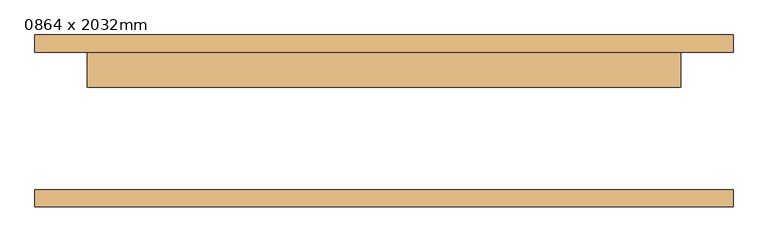
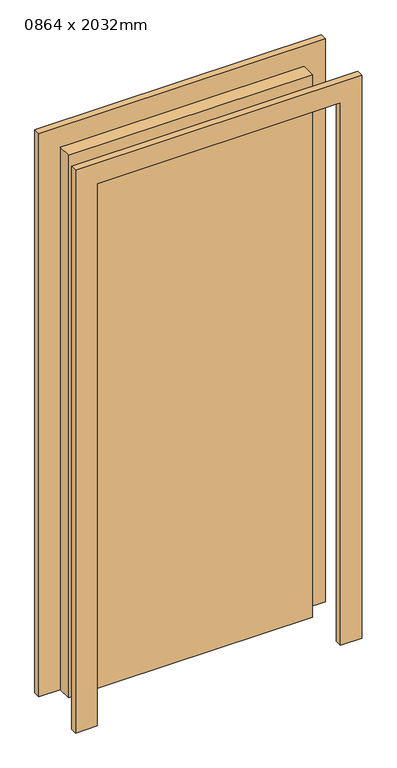
"""IFC4 building model written with IfcOpenShell, lengths in millimetres: door geometry, 0864 x 2032mm."""

from ifc_helpers import new_model, si_unit, frame, origin, origin_with_axes, place, context, project, spatial, polyline, outline, extrude, source, transform, mapped, element, save


def door_0864_x_2032mm_aeff3166(model_context):
    return source(origin(), model_context, "Body", "SweptSolid", [
        extrude(outline(polyline([(2108.0, -508.0), (0.0, -508.0), (0.0, -432.0), (2032.0, -432.0), (2032.0, 432.0), (0.0, 432.0), (0.0, 508.0), (2108.0, 508.0), (2108.0, -508.0)])), frame((0.0, 100.0, 0.0), z_axis=(0.0, 1.0, 0.0), x_axis=(0.0, 0.0, 1.0)), (0.0, 0.0, 1.0), 25.0),
        extrude(outline(polyline([(2108.0, 508.0), (2108.0, -508.0), (0.0, -508.0), (0.0, -432.0), (2032.0, -432.0), (2032.0, 432.0), (0.0, 432.0), (0.0, 508.0), (2108.0, 508.0)])), frame((0.0, -125.0, 0.0), z_axis=(0.0, 1.0, 0.0), x_axis=(0.0, 0.0, 1.0)), (0.0, 0.0, 1.0), 25.0),
        extrude(outline(polyline([(432.0, 49.0), (-432.0, 49.0), (-432.0, 100.0), (432.0, 100.0), (432.0, 49.0)])), origin_with_axes(), (0.0, 0.0, 1.0), 2032.0),
    ])


if __name__ == "__main__":
    model = new_model("IFC4")
    model_context = context("Model", 3, world=origin())
    ifc_project = project(units=[si_unit("LENGTHUNIT", "METRE", prefix="MILLI")], contexts=[model_context])
    site = spatial("IfcSite", under=ifc_project)
    building = spatial("IfcBuilding", under=site)
    placement = place(None, origin())
    door_0864_x_2032mm_shape = door_0864_x_2032mm_aeff3166(model_context)
    element("IfcDoor", 1, ObjectType="0864 x 2032mm", at=placement, inside=building, context=model_context, shape_type="MappedRepresentation", body=[
        mapped(door_0864_x_2032mm_shape, transform((0.0, 0.0, 0.0), x_axis=(1.0, 0.0, 0.0), y_axis=(0.0, 1.0, 0.0), z_axis=(0.0, 0.0, 1.0))),
    ])
    save(model, "model.ifc")
